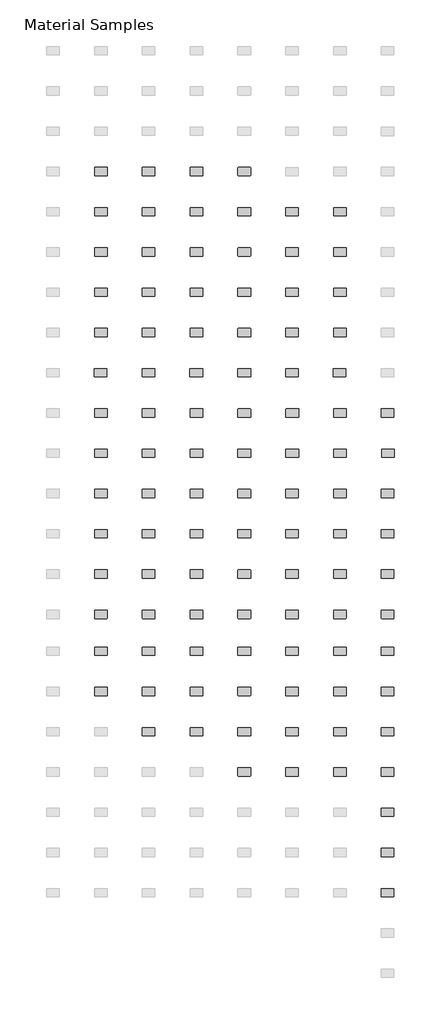
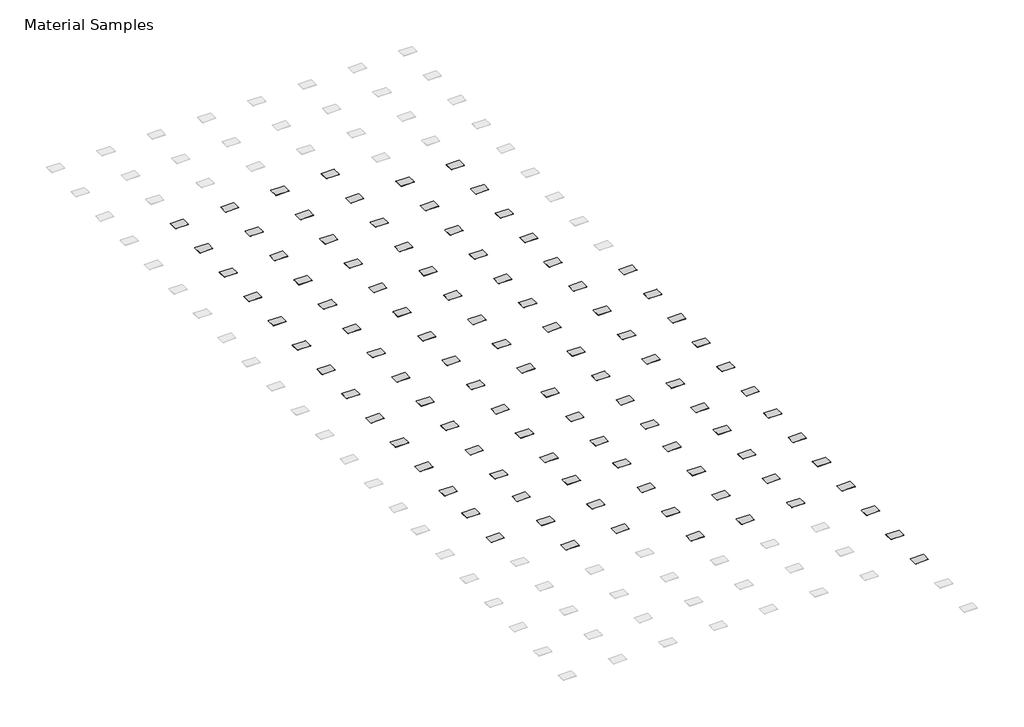
# One storey, part 11 of 12: 103 furniture elements.
"""IFC4 building model written with IfcOpenShell, lengths in millimetres."""

import ifcopenshell
import ifcopenshell.guid

model = None  # the IFC model being written
_history = None  # IfcOwnerHistory: only IFC2X3 demands one
_inside = {}  # id of a spatial element -> (the spatial element, [elements in it])
_under = {}  # id of a project, library or spatial element -> (it, [spatial elements below it])
_declared = {}  # id of a project -> (the project, [libraries it declares])
_typed = {}  # id of a type object -> (the type object, [elements of that type])
_made_of = {}  # id of a material, layer set ... -> (it, [elements and type objects made of it])


def new_model(schema):
    """Start an empty IFC model of exactly this schema.

    Asked for "IFC4X3", IfcOpenShell would pick the latest addendum, in which some entities
    have other attributes; the version numbers below select the first issue.
    IFC2X3 requires an IfcOwnerHistory on every rooted entity: one is made here for all.
    """
    global model, _history
    if schema == "IFC4X3":
        model = ifcopenshell.file(schema_version=(4, 3, 0, 0))
    else:
        model = ifcopenshell.file(schema=schema)
    _inside.clear()
    _under.clear()
    _declared.clear()
    _typed.clear()
    _made_of.clear()
    _history = None
    if model.schema == "IFC2X3":
        org = make("IfcOrganization", Name="unknown")
        user = make(
            "IfcPersonAndOrganization",
            ThePerson=make("IfcPerson", FamilyName="unknown"),
            TheOrganization=org,
        )
        app = make(
            "IfcApplication",
            ApplicationDeveloper=org,
            Version="unknown",
            ApplicationFullName="unknown",
            ApplicationIdentifier="unknown",
        )
        _history = make(
            "IfcOwnerHistory",
            OwningUser=user,
            OwningApplication=app,
            ChangeAction="ADDED",
            CreationDate=0,
        )
    return model


def make(cls, **values):
    """One entity of the class cls with the attributes given. An attribute that is None is left unset."""
    return model.create_entity(
        cls, **{name: value for name, value in values.items() if value is not None}
    )


def rooted(cls, **values):
    """An entity with a GlobalId (a new one), such as an element, a storey or a relation."""
    return make(cls, GlobalId=ifcopenshell.guid.new(), OwnerHistory=_history, **values)


def si_unit(unit_type, name, prefix=None):
    """IfcSIUnit, for example si_unit("LENGTHUNIT", "METRE", prefix="MILLI")."""
    return make("IfcSIUnit", UnitType=unit_type, Prefix=prefix, Name=name)


def assignment(units):
    """IfcUnitAssignment: the units of a project."""
    return None if units is None else make("IfcUnitAssignment", Units=units)


def point(xyz):
    """IfcCartesianPoint."""
    return None if xyz is None else make("IfcCartesianPoint", Coordinates=xyz)


def direction(xyz):
    """IfcDirection."""
    return None if xyz is None else make("IfcDirection", DirectionRatios=xyz)


def frame(location, z_axis=None, x_axis=None):
    """IfcAxis2Placement3D, a coordinate frame: its origin and axes. An axis left out is left unset."""
    return make(
        "IfcAxis2Placement3D",
        Location=point(location),
        Axis=direction(z_axis),
        RefDirection=direction(x_axis),
    )


def frame_2d(location, x_axis=None):
    """IfcAxis2Placement2D, a coordinate frame in the plane: its origin and x axis."""
    return make(
        "IfcAxis2Placement2D", Location=point(location), RefDirection=direction(x_axis)
    )


def origin():
    """The frame at (0, 0, 0) with its axes left unset."""
    return frame((0.0, 0.0, 0.0))


def place(relative_to, where):
    """IfcLocalPlacement: puts the frame where relative to a parent placement (None: the world)."""
    return make(
        "IfcLocalPlacement", PlacementRelTo=relative_to, RelativePlacement=where
    )


def context(
    kind, dimensions, precision=None, world=None, true_north=None, identifier=None
):
    """IfcGeometricRepresentationContext, for example the 3D "Model" context."""
    return make(
        "IfcGeometricRepresentationContext",
        ContextIdentifier=identifier,
        ContextType=kind,
        CoordinateSpaceDimension=dimensions,
        Precision=precision,
        WorldCoordinateSystem=world,
        TrueNorth=true_north,
    )


def project(units=None, contexts=None):
    """IfcProject with its units and contexts."""
    return rooted(
        "IfcProject",
        Name="project",
        RepresentationContexts=contexts,
        UnitsInContext=assignment(units),
    )


def spatial(cls, under=None, at=None, **own):
    """A site, building, storey or space (cls), placed at a placement, below another one or the project."""
    s = rooted(cls, ObjectPlacement=at, **own)
    if under is not None:
        _under.setdefault(under.id(), (under, []))[1].append(s)
    return s


def polyline(points):
    """IfcPolyline through the points."""
    return make("IfcPolyline", Points=[point(p) for p in points])


def circle_curve(where, radius):
    """IfcCircle in the frame where."""
    return make("IfcCircle", Position=where, Radius=radius)


def trimmed(basis, trim1, trim2, sense, master):
    """IfcTrimmedCurve: the piece of a basis curve between two trims."""
    return make(
        "IfcTrimmedCurve",
        BasisCurve=basis,
        Trim1=trim1,
        Trim2=trim2,
        SenseAgreement=sense,
        MasterRepresentation=master,
    )


def segment(curve, same_sense, transition):
    """IfcCompositeCurveSegment."""
    return make(
        "IfcCompositeCurveSegment",
        Transition=transition,
        SameSense=same_sense,
        ParentCurve=curve,
    )


def composite_curve(segments, self_intersect=None):
    """IfcCompositeCurve: segments joined end to end."""
    return make("IfcCompositeCurve", Segments=segments, SelfIntersect=self_intersect)


def outline(outer, holes=None, kind="AREA"):
    """IfcArbitraryClosedProfileDef: a profile drawn as a closed curve; with holes, ...WithVoids."""
    if holes is None:
        return make("IfcArbitraryClosedProfileDef", ProfileType=kind, OuterCurve=outer)
    return make(
        "IfcArbitraryProfileDefWithVoids",
        ProfileType=kind,
        OuterCurve=outer,
        InnerCurves=holes,
    )


def extrude(swept, where, along, depth):
    """IfcExtrudedAreaSolid: the profile swept, set in the frame where, extruded along a direction by depth."""
    return make(
        "IfcExtrudedAreaSolid",
        SweptArea=swept,
        Position=where,
        ExtrudedDirection=direction(along),
        Depth=depth,
    )


def shape(context_of_items, identifier, shape_type, items):
    """IfcShapeRepresentation: the items that make up one representation, for example the "Body"."""
    return make(
        "IfcShapeRepresentation",
        ContextOfItems=context_of_items,
        RepresentationIdentifier=identifier,
        RepresentationType=shape_type,
        Items=items,
    )


def source(mapping_origin, context_of_items, identifier, shape_type, items):
    """IfcRepresentationMap: a shape defined once, which mapped items show again and again."""
    return make(
        "IfcRepresentationMap",
        MappingOrigin=mapping_origin,
        MappedRepresentation=shape(context_of_items, identifier, shape_type, items),
    )


def transform(
    local_origin,
    x_axis=None,
    y_axis=None,
    z_axis=None,
    scale=None,
    scale2=None,
    scale3=None,
    uniform=True,
):
    """IfcCartesianTransformationOperator3D, or its non-uniform kind. x_axis, y_axis, z_axis: its Axis1, 2, 3."""
    if uniform:
        return make(
            "IfcCartesianTransformationOperator3D",
            Axis1=direction(x_axis),
            Axis2=direction(y_axis),
            LocalOrigin=point(local_origin),
            Scale=scale,
            Axis3=direction(z_axis),
        )
    return make(
        "IfcCartesianTransformationOperator3DnonUniform",
        Axis1=direction(x_axis),
        Axis2=direction(y_axis),
        LocalOrigin=point(local_origin),
        Scale=scale,
        Axis3=direction(z_axis),
        Scale2=scale2,
        Scale3=scale3,
    )


def mapped(mapping_source, mapping_target):
    """IfcMappedItem: shows the shape of a source again, moved by a transform."""
    return make(
        "IfcMappedItem", MappingSource=mapping_source, MappingTarget=mapping_target
    )


def made_of(thing, what):
    """Note that an element or type object is made of a material, layer set ...; save() writes the relation."""
    if what is not None:
        _made_of.setdefault(what.id(), (what, []))[1].append(thing)
    return thing


def element(
    cls,
    number,
    at=None,
    inside=None,
    cuts=None,
    type_object=None,
    material=None,
    context=None,
    identifier="Body",
    shape_type=None,
    held_by="IfcProductDefinitionShape",
    body=None,
    shapes=None,
    **own,
):
    """One element of the class cls, such as IfcWall. Its Tag is "e" and its number.

    at: its placement. inside: the storey or other place that contains it. cuts: it is an
    opening in that element (IfcRelVoidsElement). A single representation is given by context,
    identifier, shape_type and body (its items); several are given by shapes. held_by: the class
    of the entity that holds the representations. save() writes the other relations.
    """
    e = rooted(cls, Tag="e%d" % number, ObjectPlacement=at, **own)
    if body is not None:
        shapes = [shape(context, identifier, shape_type, body)]
    if shapes is not None:
        e.Representation = make(held_by, Representations=shapes)
    if inside is not None:
        _inside.setdefault(inside.id(), (inside, []))[1].append(e)
    if cuts is not None:
        rooted(
            "IfcRelVoidsElement", RelatingBuildingElement=cuts, RelatedOpeningElement=e
        )
    if type_object is not None:
        _typed.setdefault(type_object.id(), (type_object, []))[1].append(e)
    return made_of(e, material)


def aggregate(whole, parts):
    """IfcRelAggregates: a whole, such as a stair, and the parts it consists of."""
    return rooted("IfcRelAggregates", RelatingObject=whole, RelatedObjects=parts)


def save(model, path):
    """Write the relations noted so far, then the file.

    IfcRelAggregates (storeys below a building ...), IfcRelContainedInSpatialStructure (elements
    in a storey), IfcRelDefinesByType, IfcRelAssociatesMaterial and IfcRelDeclares: one each for
    every whole, place, type object, material and project.
    """
    for whole, parts in _under.values():
        aggregate(whole, parts)
    for where, things in _inside.values():
        rooted(
            "IfcRelContainedInSpatialStructure",
            RelatedElements=things,
            RelatingStructure=where,
        )
    for kind, things in _typed.values():
        rooted("IfcRelDefinesByType", RelatedObjects=things, RelatingType=kind)
    for what, things in _made_of.values():
        rooted("IfcRelAssociatesMaterial", RelatedObjects=things, RelatingMaterial=what)
    for by, libraries in _declared.values():
        rooted("IfcRelDeclares", RelatingContext=by, RelatedDefinitions=libraries)
    model.write(path)


def furniture_2008_material_sample3_2x3x1_8_96bf408c(model_context):
    return source(origin(), model_context, "Body", "SweptSolid", [
        extrude(outline(composite_curve([segment(trimmed(circle_curve(frame_2d((21215.2392185, 10811.8982463)), 6.35), [point((21215.2392185, 10818.2482463))], [point((21221.5892185, 10811.8982463))], False, "CARTESIAN"), True, "CONTINUOUS"), segment(polyline([(21221.5892185, 10811.8982463), (21221.5892185, 10570.5982463)]), True, "CONTINUOUS"), segment(trimmed(circle_curve(frame_2d((21215.2392185, 10570.5982463)), 6.35), [point((21221.5892185, 10570.5982463))], [point((21215.2392185, 10564.2482463))], False, "CARTESIAN"), True, "CONTINUOUS"), segment(polyline([(21215.2392185, 10564.2482463), (20846.9392185, 10564.2482463)]), True, "CONTINUOUS"), segment(trimmed(circle_curve(frame_2d((20846.9392185, 10570.5982463)), 6.35), [point((20846.9392185, 10564.2482463))], [point((20840.5892185, 10570.5982463))], False, "CARTESIAN"), True, "CONTINUOUS"), segment(polyline([(20840.5892185, 10570.5982463), (20840.5892185, 10811.8982463)]), True, "CONTINUOUS"), segment(trimmed(circle_curve(frame_2d((20846.9392185, 10811.8982463)), 6.35), [point((20840.5892185, 10811.8982463))], [point((20846.9392185, 10818.2482463))], False, "CARTESIAN"), True, "CONTINUOUS"), segment(polyline([(20846.9392185, 10818.2482463), (21215.2392185, 10818.2482463)]), True, "CONTINUOUS")], self_intersect=False)), frame((0.0, 0.0, -3.175), z_axis=(0.0, 0.0, 1.0), x_axis=(1.0, 0.0, 0.0)), (0.0, 0.0, 1.0), 3.175),
    ])


model = new_model("IFC4")

# Units and contexts
model_context = context("Model", 3, world=origin())
ifc_project = project(units=[si_unit("LENGTHUNIT", "METRE", prefix="MILLI")], contexts=[model_context])

# Site, building, storey
site = spatial("IfcSite", under=ifc_project)
building = spatial("IfcBuilding", under=site)
storey = spatial("IfcBuildingStorey", under=building, Name="Material Samples", Elevation=0.0)

# Furniture
placement = place(None, origin())
furniture_2008_material_sample3_2x3x1_8_shape = furniture_2008_material_sample3_2x3x1_8_96bf408c(model_context)
element("IfcFurniture", 1, ObjectType="2008_Material Sample3 : 2x3x1/8", at=placement, inside=storey, context=model_context, shape_type="MappedRepresentation", body=[
    mapped(furniture_2008_material_sample3_2x3x1_8_shape, transform((-31795.3250935, -168973.4275291, 25.4), x_axis=(1.0, 0.0, 0.0), y_axis=(0.0, 1.0, 0.0), z_axis=(0.0, 0.0, 1.0))),
])
element("IfcFurniture", 2, ObjectType="2008_Material Sample3 : 2x3x1/8", at=placement, inside=storey, context=model_context, shape_type="MappedRepresentation", body=[
    mapped(furniture_2008_material_sample3_2x3x1_8_shape, transform((-30347.5250935, -168973.4275291, 25.4), x_axis=(1.0, 0.0, 0.0), y_axis=(0.0, 1.0, 0.0), z_axis=(0.0, 0.0, 1.0))),
])
element("IfcFurniture", 3, ObjectType="2008_Material Sample3 : 2x3x1/8", at=placement, inside=storey, context=model_context, shape_type="MappedRepresentation", body=[
    mapped(furniture_2008_material_sample3_2x3x1_8_shape, transform((-28899.7250935, -168973.4275291, 25.4), x_axis=(1.0, 0.0, 0.0), y_axis=(0.0, 1.0, 0.0), z_axis=(0.0, 0.0, 1.0))),
])
element("IfcFurniture", 4, ObjectType="2008_Material Sample3 : 2x3x1/8", at=placement, inside=storey, context=model_context, shape_type="MappedRepresentation", body=[
    mapped(furniture_2008_material_sample3_2x3x1_8_shape, transform((-27451.9250935, -168973.4275291, 25.4), x_axis=(1.0, 0.0, 0.0), y_axis=(0.0, 1.0, 0.0), z_axis=(0.0, 0.0, 1.0))),
])
element("IfcFurniture", 5, ObjectType="2008_Material Sample3 : 2x3x1/8", at=placement, inside=storey, context=model_context, shape_type="MappedRepresentation", body=[
    mapped(furniture_2008_material_sample3_2x3x1_8_shape, transform((-31795.2143121, -170192.6275291, 25.4), x_axis=(1.0, 0.0, 0.0), y_axis=(0.0, 1.0, 0.0), z_axis=(0.0, 0.0, 1.0))),
])
element("IfcFurniture", 6, ObjectType="2008_Material Sample3 : 2x3x1/8", at=placement, inside=storey, context=model_context, shape_type="MappedRepresentation", body=[
    mapped(furniture_2008_material_sample3_2x3x1_8_shape, transform((-30347.4143121, -170192.6275291, 25.4), x_axis=(1.0, 0.0, 0.0), y_axis=(0.0, 1.0, 0.0), z_axis=(0.0, 0.0, 1.0))),
])
element("IfcFurniture", 7, ObjectType="2008_Material Sample3 : 2x3x1/8", at=placement, inside=storey, context=model_context, shape_type="MappedRepresentation", body=[
    mapped(furniture_2008_material_sample3_2x3x1_8_shape, transform((-28899.6143121, -170192.6275291, 25.4), x_axis=(1.0, 0.0, 0.0), y_axis=(0.0, 1.0, 0.0), z_axis=(0.0, 0.0, 1.0))),
])
element("IfcFurniture", 8, ObjectType="2008_Material Sample3 : 2x3x1/8", at=placement, inside=storey, context=model_context, shape_type="MappedRepresentation", body=[
    mapped(furniture_2008_material_sample3_2x3x1_8_shape, transform((-26004.0143121, -170192.6275291, 25.4), x_axis=(1.0, 0.0, 0.0), y_axis=(0.0, 1.0, 0.0), z_axis=(0.0, 0.0, 1.0))),
])
element("IfcFurniture", 9, ObjectType="2008_Material Sample3 : 2x3x1/8", at=placement, inside=storey, context=model_context, shape_type="MappedRepresentation", body=[
    mapped(furniture_2008_material_sample3_2x3x1_8_shape, transform((-24556.2143121, -170192.6275291, 25.4), x_axis=(1.0, 0.0, 0.0), y_axis=(0.0, 1.0, 0.0), z_axis=(0.0, 0.0, 1.0))),
])
element("IfcFurniture", 10, ObjectType="2008_Material Sample3 : 2x3x1/8", at=placement, inside=storey, context=model_context, shape_type="MappedRepresentation", body=[
    mapped(furniture_2008_material_sample3_2x3x1_8_shape, transform((-31795.2143121, -171411.8275291, 25.4), x_axis=(1.0, 0.0, 0.0), y_axis=(0.0, 1.0, 0.0), z_axis=(0.0, 0.0, 1.0))),
])
element("IfcFurniture", 11, ObjectType="2008_Material Sample3 : 2x3x1/8", at=placement, inside=storey, context=model_context, shape_type="MappedRepresentation", body=[
    mapped(furniture_2008_material_sample3_2x3x1_8_shape, transform((-30347.4143121, -171411.8275291, 25.4), x_axis=(1.0, 0.0, 0.0), y_axis=(0.0, 1.0, 0.0), z_axis=(0.0, 0.0, 1.0))),
])
element("IfcFurniture", 12, ObjectType="2008_Material Sample3 : 2x3x1/8", at=placement, inside=storey, context=model_context, shape_type="MappedRepresentation", body=[
    mapped(furniture_2008_material_sample3_2x3x1_8_shape, transform((-28899.6143121, -171411.8275291, 25.4), x_axis=(1.0, 0.0, 0.0), y_axis=(0.0, 1.0, 0.0), z_axis=(0.0, 0.0, 1.0))),
])
element("IfcFurniture", 13, ObjectType="2008_Material Sample3 : 2x3x1/8", at=placement, inside=storey, context=model_context, shape_type="MappedRepresentation", body=[
    mapped(furniture_2008_material_sample3_2x3x1_8_shape, transform((-27451.8143121, -171411.8275291, 25.4), x_axis=(1.0, 0.0, 0.0), y_axis=(0.0, 1.0, 0.0), z_axis=(0.0, 0.0, 1.0))),
])
element("IfcFurniture", 14, ObjectType="2008_Material Sample3 : 2x3x1/8", at=placement, inside=storey, context=model_context, shape_type="MappedRepresentation", body=[
    mapped(furniture_2008_material_sample3_2x3x1_8_shape, transform((-26004.0143121, -171411.8275291, 25.4), x_axis=(1.0, 0.0, 0.0), y_axis=(0.0, 1.0, 0.0), z_axis=(0.0, 0.0, 1.0))),
])
element("IfcFurniture", 15, ObjectType="2008_Material Sample3 : 2x3x1/8", at=placement, inside=storey, context=model_context, shape_type="MappedRepresentation", body=[
    mapped(furniture_2008_material_sample3_2x3x1_8_shape, transform((-24556.2143121, -171411.8275291, 25.4), x_axis=(1.0, 0.0, 0.0), y_axis=(0.0, 1.0, 0.0), z_axis=(0.0, 0.0, 1.0))),
])
element("IfcFurniture", 16, ObjectType="2008_Material Sample3 : 2x3x1/8", at=placement, inside=storey, context=model_context, shape_type="MappedRepresentation", body=[
    mapped(furniture_2008_material_sample3_2x3x1_8_shape, transform((-31795.2143121, -172631.0275291, 25.4), x_axis=(1.0, 0.0, 0.0), y_axis=(0.0, 1.0, 0.0), z_axis=(0.0, 0.0, 1.0))),
])
element("IfcFurniture", 17, ObjectType="2008_Material Sample3 : 2x3x1/8", at=placement, inside=storey, context=model_context, shape_type="MappedRepresentation", body=[
    mapped(furniture_2008_material_sample3_2x3x1_8_shape, transform((-30347.4143121, -172631.0275291, 25.4), x_axis=(1.0, 0.0, 0.0), y_axis=(0.0, 1.0, 0.0), z_axis=(0.0, 0.0, 1.0))),
])
element("IfcFurniture", 18, ObjectType="2008_Material Sample3 : 2x3x1/8", at=placement, inside=storey, context=model_context, shape_type="MappedRepresentation", body=[
    mapped(furniture_2008_material_sample3_2x3x1_8_shape, transform((-28899.6143121, -172631.0275291, 25.4), x_axis=(1.0, 0.0, 0.0), y_axis=(0.0, 1.0, 0.0), z_axis=(0.0, 0.0, 1.0))),
])
element("IfcFurniture", 19, ObjectType="2008_Material Sample3 : 2x3x1/8", at=placement, inside=storey, context=model_context, shape_type="MappedRepresentation", body=[
    mapped(furniture_2008_material_sample3_2x3x1_8_shape, transform((-26004.0143121, -172631.0275291, 25.4), x_axis=(1.0, 0.0, 0.0), y_axis=(0.0, 1.0, 0.0), z_axis=(0.0, 0.0, 1.0))),
])
element("IfcFurniture", 20, ObjectType="2008_Material Sample3 : 2x3x1/8", at=placement, inside=storey, context=model_context, shape_type="MappedRepresentation", body=[
    mapped(furniture_2008_material_sample3_2x3x1_8_shape, transform((-24556.2143121, -172631.0275291, 25.4), x_axis=(1.0, 0.0, 0.0), y_axis=(0.0, 1.0, 0.0), z_axis=(0.0, 0.0, 1.0))),
])
element("IfcFurniture", 21, ObjectType="2008_Material Sample3 : 2x3x1/8", at=placement, inside=storey, context=model_context, shape_type="MappedRepresentation", body=[
    mapped(furniture_2008_material_sample3_2x3x1_8_shape, transform((-31795.2143121, -173850.2275291, 25.4), x_axis=(1.0, 0.0, 0.0), y_axis=(0.0, 1.0, 0.0), z_axis=(0.0, 0.0, 1.0))),
])
element("IfcFurniture", 22, ObjectType="2008_Material Sample3 : 2x3x1/8", at=placement, inside=storey, context=model_context, shape_type="MappedRepresentation", body=[
    mapped(furniture_2008_material_sample3_2x3x1_8_shape, transform((-30347.4143121, -173850.2275291, 25.4), x_axis=(1.0, 0.0, 0.0), y_axis=(0.0, 1.0, 0.0), z_axis=(0.0, 0.0, 1.0))),
])
element("IfcFurniture", 23, ObjectType="2008_Material Sample3 : 2x3x1/8", at=placement, inside=storey, context=model_context, shape_type="MappedRepresentation", body=[
    mapped(furniture_2008_material_sample3_2x3x1_8_shape, transform((-28899.6143121, -173850.2275291, 25.4), x_axis=(1.0, 0.0, 0.0), y_axis=(0.0, 1.0, 0.0), z_axis=(0.0, 0.0, 1.0))),
])
element("IfcFurniture", 24, ObjectType="2008_Material Sample3 : 2x3x1/8", at=placement, inside=storey, context=model_context, shape_type="MappedRepresentation", body=[
    mapped(furniture_2008_material_sample3_2x3x1_8_shape, transform((-27451.8143121, -173850.2275291, 25.4), x_axis=(1.0, 0.0, 0.0), y_axis=(0.0, 1.0, 0.0), z_axis=(0.0, 0.0, 1.0))),
])
element("IfcFurniture", 25, ObjectType="2008_Material Sample3 : 2x3x1/8", at=placement, inside=storey, context=model_context, shape_type="MappedRepresentation", body=[
    mapped(furniture_2008_material_sample3_2x3x1_8_shape, transform((-26004.1250935, -173850.2275291, 25.4), x_axis=(1.0, 0.0, 0.0), y_axis=(0.0, 1.0, 0.0), z_axis=(0.0, 0.0, 1.0))),
])
element("IfcFurniture", 26, ObjectType="2008_Material Sample3 : 2x3x1/8", at=placement, inside=storey, context=model_context, shape_type="MappedRepresentation", body=[
    mapped(furniture_2008_material_sample3_2x3x1_8_shape, transform((-24556.2143121, -173850.2275291, 25.4), x_axis=(1.0, 0.0, 0.0), y_axis=(0.0, 1.0, 0.0), z_axis=(0.0, 0.0, 1.0))),
])
element("IfcFurniture", 27, ObjectType="2008_Material Sample3 : 2x3x1/8", at=placement, inside=storey, context=model_context, shape_type="MappedRepresentation", body=[
    mapped(furniture_2008_material_sample3_2x3x1_8_shape, transform((-31801.5643121, -175069.4275291, 25.4), x_axis=(1.0, 0.0, 0.0), y_axis=(0.0, 1.0, 0.0), z_axis=(0.0, 0.0, 1.0))),
])
element("IfcFurniture", 28, ObjectType="2008_Material Sample3 : 2x3x1/8", at=placement, inside=storey, context=model_context, shape_type="MappedRepresentation", body=[
    mapped(furniture_2008_material_sample3_2x3x1_8_shape, transform((-30353.7643121, -175069.4275291, 25.4), x_axis=(1.0, 0.0, 0.0), y_axis=(0.0, 1.0, 0.0), z_axis=(0.0, 0.0, 1.0))),
])
element("IfcFurniture", 29, ObjectType="2008_Material Sample3 : 2x3x1/8", at=placement, inside=storey, context=model_context, shape_type="MappedRepresentation", body=[
    mapped(furniture_2008_material_sample3_2x3x1_8_shape, transform((-28905.9643121, -175069.4275291, 25.4), x_axis=(1.0, 0.0, 0.0), y_axis=(0.0, 1.0, 0.0), z_axis=(0.0, 0.0, 1.0))),
])
element("IfcFurniture", 30, ObjectType="2008_Material Sample3 : 2x3x1/8", at=placement, inside=storey, context=model_context, shape_type="MappedRepresentation", body=[
    mapped(furniture_2008_material_sample3_2x3x1_8_shape, transform((-26010.4750935, -175069.4275291, 25.4), x_axis=(1.0, 0.0, 0.0), y_axis=(0.0, 1.0, 0.0), z_axis=(0.0, 0.0, 1.0))),
])
element("IfcFurniture", 31, ObjectType="2008_Material Sample3 : 2x3x1/8", at=placement, inside=storey, context=model_context, shape_type="MappedRepresentation", body=[
    mapped(furniture_2008_material_sample3_2x3x1_8_shape, transform((-24562.6750935, -175069.4275291, 25.4), x_axis=(1.0, 0.0, 0.0), y_axis=(0.0, 1.0, 0.0), z_axis=(0.0, 0.0, 1.0))),
])
element("IfcFurniture", 32, ObjectType="2008_Material Sample3 : 2x3x1/8", at=placement, inside=storey, context=model_context, shape_type="MappedRepresentation", body=[
    mapped(furniture_2008_material_sample3_2x3x1_8_shape, transform((-31795.2143121, -176288.6275291, 25.4), x_axis=(1.0, 0.0, 0.0), y_axis=(0.0, 1.0, 0.0), z_axis=(0.0, 0.0, 1.0))),
])
element("IfcFurniture", 33, ObjectType="2008_Material Sample3 : 2x3x1/8", at=placement, inside=storey, context=model_context, shape_type="MappedRepresentation", body=[
    mapped(furniture_2008_material_sample3_2x3x1_8_shape, transform((-30347.4143121, -176288.6275291, 25.4), x_axis=(1.0, 0.0, 0.0), y_axis=(0.0, 1.0, 0.0), z_axis=(0.0, 0.0, 1.0))),
])
element("IfcFurniture", 34, ObjectType="2008_Material Sample3 : 2x3x1/8", at=placement, inside=storey, context=model_context, shape_type="MappedRepresentation", body=[
    mapped(furniture_2008_material_sample3_2x3x1_8_shape, transform((-28899.6143121, -176288.6275291, 25.4), x_axis=(1.0, 0.0, 0.0), y_axis=(0.0, 1.0, 0.0), z_axis=(0.0, 0.0, 1.0))),
])
element("IfcFurniture", 35, ObjectType="2008_Material Sample3 : 2x3x1/8", at=placement, inside=storey, context=model_context, shape_type="MappedRepresentation", body=[
    mapped(furniture_2008_material_sample3_2x3x1_8_shape, transform((-27451.8143121, -176288.6275291, 25.4), x_axis=(1.0, 0.0, 0.0), y_axis=(0.0, 1.0, 0.0), z_axis=(0.0, 0.0, 1.0))),
])
element("IfcFurniture", 36, ObjectType="2008_Material Sample3 : 2x3x1/8", at=placement, inside=storey, context=model_context, shape_type="MappedRepresentation", body=[
    mapped(furniture_2008_material_sample3_2x3x1_8_shape, transform((-25997.5535306, -176288.6275291, 25.4), x_axis=(1.0, 0.0, 0.0), y_axis=(0.0, 1.0, 0.0), z_axis=(0.0, 0.0, 1.0))),
])
element("IfcFurniture", 37, ObjectType="2008_Material Sample3 : 2x3x1/8", at=placement, inside=storey, context=model_context, shape_type="MappedRepresentation", body=[
    mapped(furniture_2008_material_sample3_2x3x1_8_shape, transform((-24556.2143121, -176288.6275291, 25.4), x_axis=(1.0, 0.0, 0.0), y_axis=(0.0, 1.0, 0.0), z_axis=(0.0, 0.0, 1.0))),
])
element("IfcFurniture", 38, ObjectType="2008_Material Sample3 : 2x3x1/8", at=placement, inside=storey, context=model_context, shape_type="MappedRepresentation", body=[
    mapped(furniture_2008_material_sample3_2x3x1_8_shape, transform((-23108.4143121, -176288.6275291, 25.4), x_axis=(1.0, 0.0, 0.0), y_axis=(0.0, 1.0, 0.0), z_axis=(0.0, 0.0, 1.0))),
])
element("IfcFurniture", 39, ObjectType="2008_Material Sample3 : 2x3x1/8", at=placement, inside=storey, context=model_context, shape_type="MappedRepresentation", body=[
    mapped(furniture_2008_material_sample3_2x3x1_8_shape, transform((-31795.2143121, -177507.8275291, 25.4), x_axis=(1.0, 0.0, 0.0), y_axis=(0.0, 1.0, 0.0), z_axis=(0.0, 0.0, 1.0))),
])
element("IfcFurniture", 40, ObjectType="2008_Material Sample3 : 2x3x1/8", at=placement, inside=storey, context=model_context, shape_type="MappedRepresentation", body=[
    mapped(furniture_2008_material_sample3_2x3x1_8_shape, transform((-30347.4143121, -177507.8275291, 25.4), x_axis=(1.0, 0.0, 0.0), y_axis=(0.0, 1.0, 0.0), z_axis=(0.0, 0.0, 1.0))),
])
element("IfcFurniture", 41, ObjectType="2008_Material Sample3 : 2x3x1/8", at=placement, inside=storey, context=model_context, shape_type="MappedRepresentation", body=[
    mapped(furniture_2008_material_sample3_2x3x1_8_shape, transform((-28899.6143121, -177507.8275291, 25.4), x_axis=(1.0, 0.0, 0.0), y_axis=(0.0, 1.0, 0.0), z_axis=(0.0, 0.0, 1.0))),
])
element("IfcFurniture", 42, ObjectType="2008_Material Sample3 : 2x3x1/8", at=placement, inside=storey, context=model_context, shape_type="MappedRepresentation", body=[
    mapped(furniture_2008_material_sample3_2x3x1_8_shape, transform((-25997.5535306, -177507.8275291, 25.4), x_axis=(1.0, 0.0, 0.0), y_axis=(0.0, 1.0, 0.0), z_axis=(0.0, 0.0, 1.0))),
])
element("IfcFurniture", 43, ObjectType="2008_Material Sample3 : 2x3x1/8", at=placement, inside=storey, context=model_context, shape_type="MappedRepresentation", body=[
    mapped(furniture_2008_material_sample3_2x3x1_8_shape, transform((-24549.7535306, -177507.8275291, 25.4), x_axis=(1.0, 0.0, 0.0), y_axis=(0.0, 1.0, 0.0), z_axis=(0.0, 0.0, 1.0))),
])
element("IfcFurniture", 44, ObjectType="2008_Material Sample3 : 2x3x1/8", at=placement, inside=storey, context=model_context, shape_type="MappedRepresentation", body=[
    mapped(furniture_2008_material_sample3_2x3x1_8_shape, transform((-23101.9535306, -177507.8275291, 25.4), x_axis=(1.0, 0.0, 0.0), y_axis=(0.0, 1.0, 0.0), z_axis=(0.0, 0.0, 1.0))),
])
element("IfcFurniture", 45, ObjectType="2008_Material Sample3 : 2x3x1/8", at=placement, inside=storey, context=model_context, shape_type="MappedRepresentation", body=[
    mapped(furniture_2008_material_sample3_2x3x1_8_shape, transform((-31795.2143121, -178727.0275291, 25.4), x_axis=(1.0, 0.0, 0.0), y_axis=(0.0, 1.0, 0.0), z_axis=(0.0, 0.0, 1.0))),
])
element("IfcFurniture", 46, ObjectType="2008_Material Sample3 : 2x3x1/8", at=placement, inside=storey, context=model_context, shape_type="MappedRepresentation", body=[
    mapped(furniture_2008_material_sample3_2x3x1_8_shape, transform((-30347.4143121, -178727.0275291, 25.4), x_axis=(1.0, 0.0, 0.0), y_axis=(0.0, 1.0, 0.0), z_axis=(0.0, 0.0, 1.0))),
])
element("IfcFurniture", 47, ObjectType="2008_Material Sample3 : 2x3x1/8", at=placement, inside=storey, context=model_context, shape_type="MappedRepresentation", body=[
    mapped(furniture_2008_material_sample3_2x3x1_8_shape, transform((-28899.6143121, -178727.0275291, 25.4), x_axis=(1.0, 0.0, 0.0), y_axis=(0.0, 1.0, 0.0), z_axis=(0.0, 0.0, 1.0))),
])
element("IfcFurniture", 48, ObjectType="2008_Material Sample3 : 2x3x1/8", at=placement, inside=storey, context=model_context, shape_type="MappedRepresentation", body=[
    mapped(furniture_2008_material_sample3_2x3x1_8_shape, transform((-27451.8143121, -178727.0275291, 25.4), x_axis=(1.0, 0.0, 0.0), y_axis=(0.0, 1.0, 0.0), z_axis=(0.0, 0.0, 1.0))),
])
element("IfcFurniture", 49, ObjectType="2008_Material Sample3 : 2x3x1/8", at=placement, inside=storey, context=model_context, shape_type="MappedRepresentation", body=[
    mapped(furniture_2008_material_sample3_2x3x1_8_shape, transform((-26004.0143121, -178727.0275291, 25.4), x_axis=(1.0, 0.0, 0.0), y_axis=(0.0, 1.0, 0.0), z_axis=(0.0, 0.0, 1.0))),
])
element("IfcFurniture", 50, ObjectType="2008_Material Sample3 : 2x3x1/8", at=placement, inside=storey, context=model_context, shape_type="MappedRepresentation", body=[
    mapped(furniture_2008_material_sample3_2x3x1_8_shape, transform((-24556.2143121, -178727.0275291, 25.4), x_axis=(1.0, 0.0, 0.0), y_axis=(0.0, 1.0, 0.0), z_axis=(0.0, 0.0, 1.0))),
])
element("IfcFurniture", 51, ObjectType="2008_Material Sample3 : 2x3x1/8", at=placement, inside=storey, context=model_context, shape_type="MappedRepresentation", body=[
    mapped(furniture_2008_material_sample3_2x3x1_8_shape, transform((-23108.4143121, -178727.0275291, 25.4), x_axis=(1.0, 0.0, 0.0), y_axis=(0.0, 1.0, 0.0), z_axis=(0.0, 0.0, 1.0))),
])
element("IfcFurniture", 52, ObjectType="2008_Material Sample3 : 2x3x1/8", at=placement, inside=storey, context=model_context, shape_type="MappedRepresentation", body=[
    mapped(furniture_2008_material_sample3_2x3x1_8_shape, transform((-31795.2143121, -179946.2275291, 25.4), x_axis=(1.0, 0.0, 0.0), y_axis=(0.0, 1.0, 0.0), z_axis=(0.0, 0.0, 1.0))),
])
element("IfcFurniture", 53, ObjectType="2008_Material Sample3 : 2x3x1/8", at=placement, inside=storey, context=model_context, shape_type="MappedRepresentation", body=[
    mapped(furniture_2008_material_sample3_2x3x1_8_shape, transform((-30347.4143121, -179946.2275291, 25.4), x_axis=(1.0, 0.0, 0.0), y_axis=(0.0, 1.0, 0.0), z_axis=(0.0, 0.0, 1.0))),
])
element("IfcFurniture", 54, ObjectType="2008_Material Sample3 : 2x3x1/8", at=placement, inside=storey, context=model_context, shape_type="MappedRepresentation", body=[
    mapped(furniture_2008_material_sample3_2x3x1_8_shape, transform((-28899.6143121, -179946.2275291, 25.4), x_axis=(1.0, 0.0, 0.0), y_axis=(0.0, 1.0, 0.0), z_axis=(0.0, 0.0, 1.0))),
])
element("IfcFurniture", 55, ObjectType="2008_Material Sample3 : 2x3x1/8", at=placement, inside=storey, context=model_context, shape_type="MappedRepresentation", body=[
    mapped(furniture_2008_material_sample3_2x3x1_8_shape, transform((-26004.0143121, -179946.2275291, 25.4), x_axis=(1.0, 0.0, 0.0), y_axis=(0.0, 1.0, 0.0), z_axis=(0.0, 0.0, 1.0))),
])
element("IfcFurniture", 56, ObjectType="2008_Material Sample3 : 2x3x1/8", at=placement, inside=storey, context=model_context, shape_type="MappedRepresentation", body=[
    mapped(furniture_2008_material_sample3_2x3x1_8_shape, transform((-24556.2143121, -179946.2275291, 25.4), x_axis=(1.0, 0.0, 0.0), y_axis=(0.0, 1.0, 0.0), z_axis=(0.0, 0.0, 1.0))),
])
element("IfcFurniture", 57, ObjectType="2008_Material Sample3 : 2x3x1/8", at=placement, inside=storey, context=model_context, shape_type="MappedRepresentation", body=[
    mapped(furniture_2008_material_sample3_2x3x1_8_shape, transform((-23108.4143121, -179946.2275291, 25.4), x_axis=(1.0, 0.0, 0.0), y_axis=(0.0, 1.0, 0.0), z_axis=(0.0, 0.0, 1.0))),
])
element("IfcFurniture", 58, ObjectType="2008_Material Sample3 : 2x3x1/8", at=placement, inside=storey, context=model_context, shape_type="MappedRepresentation", body=[
    mapped(furniture_2008_material_sample3_2x3x1_8_shape, transform((-31795.2143121, -181165.4275291, 25.4), x_axis=(1.0, 0.0, 0.0), y_axis=(0.0, 1.0, 0.0), z_axis=(0.0, 0.0, 1.0))),
])
element("IfcFurniture", 59, ObjectType="2008_Material Sample3 : 2x3x1/8", at=placement, inside=storey, context=model_context, shape_type="MappedRepresentation", body=[
    mapped(furniture_2008_material_sample3_2x3x1_8_shape, transform((-30347.4143121, -181165.4275291, 25.4), x_axis=(1.0, 0.0, 0.0), y_axis=(0.0, 1.0, 0.0), z_axis=(0.0, 0.0, 1.0))),
])
element("IfcFurniture", 60, ObjectType="2008_Material Sample3 : 2x3x1/8", at=placement, inside=storey, context=model_context, shape_type="MappedRepresentation", body=[
    mapped(furniture_2008_material_sample3_2x3x1_8_shape, transform((-28899.6143121, -181165.4275291, 25.4), x_axis=(1.0, 0.0, 0.0), y_axis=(0.0, 1.0, 0.0), z_axis=(0.0, 0.0, 1.0))),
])
element("IfcFurniture", 61, ObjectType="2008_Material Sample3 : 2x3x1/8", at=placement, inside=storey, context=model_context, shape_type="MappedRepresentation", body=[
    mapped(furniture_2008_material_sample3_2x3x1_8_shape, transform((-27451.8143121, -181165.4275291, 25.4), x_axis=(1.0, 0.0, 0.0), y_axis=(0.0, 1.0, 0.0), z_axis=(0.0, 0.0, 1.0))),
])
element("IfcFurniture", 62, ObjectType="2008_Material Sample3 : 2x3x1/8", at=placement, inside=storey, context=model_context, shape_type="MappedRepresentation", body=[
    mapped(furniture_2008_material_sample3_2x3x1_8_shape, transform((-26004.0143121, -181165.4275291, 25.4), x_axis=(1.0, 0.0, 0.0), y_axis=(0.0, 1.0, 0.0), z_axis=(0.0, 0.0, 1.0))),
])
element("IfcFurniture", 63, ObjectType="2008_Material Sample3 : 2x3x1/8", at=placement, inside=storey, context=model_context, shape_type="MappedRepresentation", body=[
    mapped(furniture_2008_material_sample3_2x3x1_8_shape, transform((-24556.2143121, -181165.4275291, 25.4), x_axis=(1.0, 0.0, 0.0), y_axis=(0.0, 1.0, 0.0), z_axis=(0.0, 0.0, 1.0))),
])
element("IfcFurniture", 64, ObjectType="2008_Material Sample3 : 2x3x1/8", at=placement, inside=storey, context=model_context, shape_type="MappedRepresentation", body=[
    mapped(furniture_2008_material_sample3_2x3x1_8_shape, transform((-31795.1035306, -182384.6275291, 25.4), x_axis=(1.0, 0.0, 0.0), y_axis=(0.0, 1.0, 0.0), z_axis=(0.0, 0.0, 1.0))),
])
element("IfcFurniture", 65, ObjectType="2008_Material Sample3 : 2x3x1/8", at=placement, inside=storey, context=model_context, shape_type="MappedRepresentation", body=[
    mapped(furniture_2008_material_sample3_2x3x1_8_shape, transform((-30347.3035306, -182384.6275291, 25.4), x_axis=(1.0, 0.0, 0.0), y_axis=(0.0, 1.0, 0.0), z_axis=(0.0, 0.0, 1.0))),
])
element("IfcFurniture", 66, ObjectType="2008_Material Sample3 : 2x3x1/8", at=placement, inside=storey, context=model_context, shape_type="MappedRepresentation", body=[
    mapped(furniture_2008_material_sample3_2x3x1_8_shape, transform((-28899.5035306, -182384.6275291, 25.4), x_axis=(1.0, 0.0, 0.0), y_axis=(0.0, 1.0, 0.0), z_axis=(0.0, 0.0, 1.0))),
])
element("IfcFurniture", 67, ObjectType="2008_Material Sample3 : 2x3x1/8", at=placement, inside=storey, context=model_context, shape_type="MappedRepresentation", body=[
    mapped(furniture_2008_material_sample3_2x3x1_8_shape, transform((-27451.7035306, -182384.6275291, 25.4), x_axis=(1.0, 0.0, 0.0), y_axis=(0.0, 1.0, 0.0), z_axis=(0.0, 0.0, 1.0))),
])
element("IfcFurniture", 68, ObjectType="2008_Material Sample3 : 2x3x1/8", at=placement, inside=storey, context=model_context, shape_type="MappedRepresentation", body=[
    mapped(furniture_2008_material_sample3_2x3x1_8_shape, transform((-26003.9035306, -182384.6275291, 25.4), x_axis=(1.0, 0.0, 0.0), y_axis=(0.0, 1.0, 0.0), z_axis=(0.0, 0.0, 1.0))),
])
element("IfcFurniture", 69, ObjectType="2008_Material Sample3 : 2x3x1/8", at=placement, inside=storey, context=model_context, shape_type="MappedRepresentation", body=[
    mapped(furniture_2008_material_sample3_2x3x1_8_shape, transform((-24556.1035306, -182384.6275291, 25.4), x_axis=(1.0, 0.0, 0.0), y_axis=(0.0, 1.0, 0.0), z_axis=(0.0, 0.0, 1.0))),
])
element("IfcFurniture", 70, ObjectType="2008_Material Sample3 : 2x3x1/8", at=placement, inside=storey, context=model_context, shape_type="MappedRepresentation", body=[
    mapped(furniture_2008_material_sample3_2x3x1_8_shape, transform((-23108.3035306, -182384.6275291, 25.4), x_axis=(1.0, 0.0, 0.0), y_axis=(0.0, 1.0, 0.0), z_axis=(0.0, 0.0, 1.0))),
])
element("IfcFurniture", 71, ObjectType="2008_Material Sample3 : 2x3x1/8", at=placement, inside=storey, context=model_context, shape_type="MappedRepresentation", body=[
    mapped(furniture_2008_material_sample3_2x3x1_8_shape, transform((-23108.4143121, -181165.4275291, 25.4), x_axis=(1.0, 0.0, 0.0), y_axis=(0.0, 1.0, 0.0), z_axis=(0.0, 0.0, 1.0))),
])
element("IfcFurniture", 72, ObjectType="2008_Material Sample3 : 2x3x1/8", at=placement, inside=storey, context=model_context, shape_type="MappedRepresentation", body=[
    mapped(furniture_2008_material_sample3_2x3x1_8_shape, transform((-27451.8143121, -170192.6275291, 25.4), x_axis=(1.0, 0.0, 0.0), y_axis=(0.0, 1.0, 0.0), z_axis=(0.0, 0.0, 1.0))),
])
element("IfcFurniture", 73, ObjectType="2008_Material Sample3 : 2x3x1/8", at=placement, inside=storey, context=model_context, shape_type="MappedRepresentation", body=[
    mapped(furniture_2008_material_sample3_2x3x1_8_shape, transform((-27451.8143121, -172631.0275291, 25.4), x_axis=(1.0, 0.0, 0.0), y_axis=(0.0, 1.0, 0.0), z_axis=(0.0, 0.0, 1.0))),
])
element("IfcFurniture", 74, ObjectType="2008_Material Sample3 : 2x3x1/8", at=placement, inside=storey, context=model_context, shape_type="MappedRepresentation", body=[
    mapped(furniture_2008_material_sample3_2x3x1_8_shape, transform((-27451.8143121, -175069.4275291, 25.4), x_axis=(1.0, 0.0, 0.0), y_axis=(0.0, 1.0, 0.0), z_axis=(0.0, 0.0, 1.0))),
])
element("IfcFurniture", 75, ObjectType="2008_Material Sample3 : 2x3x1/8", at=placement, inside=storey, context=model_context, shape_type="MappedRepresentation", body=[
    mapped(furniture_2008_material_sample3_2x3x1_8_shape, transform((-27451.8143121, -177507.8275291, 25.4), x_axis=(1.0, 0.0, 0.0), y_axis=(0.0, 1.0, 0.0), z_axis=(0.0, 0.0, 1.0))),
])
element("IfcFurniture", 76, ObjectType="2008_Material Sample3 : 2x3x1/8", at=placement, inside=storey, context=model_context, shape_type="MappedRepresentation", body=[
    mapped(furniture_2008_material_sample3_2x3x1_8_shape, transform((-27451.8143121, -179946.2275291, 25.4), x_axis=(1.0, 0.0, 0.0), y_axis=(0.0, 1.0, 0.0), z_axis=(0.0, 0.0, 1.0))),
])
element("IfcFurniture", 77, ObjectType="2008_Material Sample4 : 2x3x1/8", at=placement, inside=storey, context=model_context, shape_type="MappedRepresentation", body=[
    mapped(furniture_2008_material_sample3_2x3x1_8_shape, transform((-31795.1035306, -183502.2275291, 25.4), x_axis=(1.0, 0.0, 0.0), y_axis=(0.0, 1.0, 0.0), z_axis=(0.0, 0.0, 1.0))),
])
element("IfcFurniture", 78, ObjectType="2008_Material Sample4 : 2x3x1/8", at=placement, inside=storey, context=model_context, shape_type="MappedRepresentation", body=[
    mapped(furniture_2008_material_sample3_2x3x1_8_shape, transform((-30347.3035306, -183502.2275291, 25.4), x_axis=(1.0, 0.0, 0.0), y_axis=(0.0, 1.0, 0.0), z_axis=(0.0, 0.0, 1.0))),
])
element("IfcFurniture", 79, ObjectType="2008_Material Sample4 : 2x3x1/8", at=placement, inside=storey, context=model_context, shape_type="MappedRepresentation", body=[
    mapped(furniture_2008_material_sample3_2x3x1_8_shape, transform((-28899.5035306, -183502.2275291, 25.4), x_axis=(1.0, 0.0, 0.0), y_axis=(0.0, 1.0, 0.0), z_axis=(0.0, 0.0, 1.0))),
])
element("IfcFurniture", 80, ObjectType="2008_Material Sample4 : 2x3x1/8", at=placement, inside=storey, context=model_context, shape_type="MappedRepresentation", body=[
    mapped(furniture_2008_material_sample3_2x3x1_8_shape, transform((-27451.7035306, -183502.2275291, 25.4), x_axis=(1.0, 0.0, 0.0), y_axis=(0.0, 1.0, 0.0), z_axis=(0.0, 0.0, 1.0))),
])
element("IfcFurniture", 81, ObjectType="2008_Material Sample4 : 2x3x1/8", at=placement, inside=storey, context=model_context, shape_type="MappedRepresentation", body=[
    mapped(furniture_2008_material_sample3_2x3x1_8_shape, transform((-26003.9035306, -183502.2275291, 25.4), x_axis=(1.0, 0.0, 0.0), y_axis=(0.0, 1.0, 0.0), z_axis=(0.0, 0.0, 1.0))),
])
element("IfcFurniture", 82, ObjectType="2008_Material Sample4 : 2x3x1/8", at=placement, inside=storey, context=model_context, shape_type="MappedRepresentation", body=[
    mapped(furniture_2008_material_sample3_2x3x1_8_shape, transform((-24556.1035306, -183502.2275291, 25.4), x_axis=(1.0, 0.0, 0.0), y_axis=(0.0, 1.0, 0.0), z_axis=(0.0, 0.0, 1.0))),
])
element("IfcFurniture", 83, ObjectType="2008_Material Sample4 : 2x3x1/8", at=placement, inside=storey, context=model_context, shape_type="MappedRepresentation", body=[
    mapped(furniture_2008_material_sample3_2x3x1_8_shape, transform((-23108.3035306, -183502.2275291, 25.4), x_axis=(1.0, 0.0, 0.0), y_axis=(0.0, 1.0, 0.0), z_axis=(0.0, 0.0, 1.0))),
])
element("IfcFurniture", 84, ObjectType="2008_Material Sample4 : 2x3x1/8", at=placement, inside=storey, context=model_context, shape_type="MappedRepresentation", body=[
    mapped(furniture_2008_material_sample3_2x3x1_8_shape, transform((-31795.1035306, -184721.4275291, 25.4), x_axis=(1.0, 0.0, 0.0), y_axis=(0.0, 1.0, 0.0), z_axis=(0.0, 0.0, 1.0))),
])
element("IfcFurniture", 85, ObjectType="2008_Material Sample4 : 2x3x1/8", at=placement, inside=storey, context=model_context, shape_type="MappedRepresentation", body=[
    mapped(furniture_2008_material_sample3_2x3x1_8_shape, transform((-30347.3035306, -184721.4275291, 25.4), x_axis=(1.0, 0.0, 0.0), y_axis=(0.0, 1.0, 0.0), z_axis=(0.0, 0.0, 1.0))),
])
element("IfcFurniture", 86, ObjectType="2008_Material Sample4 : 2x3x1/8", at=placement, inside=storey, context=model_context, shape_type="MappedRepresentation", body=[
    mapped(furniture_2008_material_sample3_2x3x1_8_shape, transform((-28899.5035306, -184721.4275291, 25.4), x_axis=(1.0, 0.0, 0.0), y_axis=(0.0, 1.0, 0.0), z_axis=(0.0, 0.0, 1.0))),
])
element("IfcFurniture", 87, ObjectType="2008_Material Sample4 : 2x3x1/8", at=placement, inside=storey, context=model_context, shape_type="MappedRepresentation", body=[
    mapped(furniture_2008_material_sample3_2x3x1_8_shape, transform((-27451.7035306, -184721.4275291, 25.4), x_axis=(1.0, 0.0, 0.0), y_axis=(0.0, 1.0, 0.0), z_axis=(0.0, 0.0, 1.0))),
])
element("IfcFurniture", 88, ObjectType="2008_Material Sample4 : 2x3x1/8", at=placement, inside=storey, context=model_context, shape_type="MappedRepresentation", body=[
    mapped(furniture_2008_material_sample3_2x3x1_8_shape, transform((-26003.9035306, -184721.4275291, 25.4), x_axis=(1.0, 0.0, 0.0), y_axis=(0.0, 1.0, 0.0), z_axis=(0.0, 0.0, 1.0))),
])
element("IfcFurniture", 89, ObjectType="2008_Material Sample4 : 2x3x1/8", at=placement, inside=storey, context=model_context, shape_type="MappedRepresentation", body=[
    mapped(furniture_2008_material_sample3_2x3x1_8_shape, transform((-24556.1035306, -184721.4275291, 25.4), x_axis=(1.0, 0.0, 0.0), y_axis=(0.0, 1.0, 0.0), z_axis=(0.0, 0.0, 1.0))),
])
element("IfcFurniture", 90, ObjectType="2008_Material Sample4 : 2x3x1/8", at=placement, inside=storey, context=model_context, shape_type="MappedRepresentation", body=[
    mapped(furniture_2008_material_sample3_2x3x1_8_shape, transform((-23108.3035306, -184721.4275291, 25.4), x_axis=(1.0, 0.0, 0.0), y_axis=(0.0, 1.0, 0.0), z_axis=(0.0, 0.0, 1.0))),
])
element("IfcFurniture", 91, ObjectType="2008_Material Sample4 : 2x3x1/8", at=placement, inside=storey, context=model_context, shape_type="MappedRepresentation", body=[
    mapped(furniture_2008_material_sample3_2x3x1_8_shape, transform((-30347.3035306, -185940.6275291, 25.4), x_axis=(1.0, 0.0, 0.0), y_axis=(0.0, 1.0, 0.0), z_axis=(0.0, 0.0, 1.0))),
])
element("IfcFurniture", 92, ObjectType="2008_Material Sample4 : 2x3x1/8", at=placement, inside=storey, context=model_context, shape_type="MappedRepresentation", body=[
    mapped(furniture_2008_material_sample3_2x3x1_8_shape, transform((-28899.5035306, -185940.6275291, 25.4), x_axis=(1.0, 0.0, 0.0), y_axis=(0.0, 1.0, 0.0), z_axis=(0.0, 0.0, 1.0))),
])
element("IfcFurniture", 93, ObjectType="2008_Material Sample4 : 2x3x1/8", at=placement, inside=storey, context=model_context, shape_type="MappedRepresentation", body=[
    mapped(furniture_2008_material_sample3_2x3x1_8_shape, transform((-27451.7035306, -185940.6275291, 25.4), x_axis=(1.0, 0.0, 0.0), y_axis=(0.0, 1.0, 0.0), z_axis=(0.0, 0.0, 1.0))),
])
element("IfcFurniture", 94, ObjectType="2008_Material Sample4 : 2x3x1/8", at=placement, inside=storey, context=model_context, shape_type="MappedRepresentation", body=[
    mapped(furniture_2008_material_sample3_2x3x1_8_shape, transform((-26003.9035306, -185940.6275291, 25.4), x_axis=(1.0, 0.0, 0.0), y_axis=(0.0, 1.0, 0.0), z_axis=(0.0, 0.0, 1.0))),
])
element("IfcFurniture", 95, ObjectType="2008_Material Sample4 : 2x3x1/8", at=placement, inside=storey, context=model_context, shape_type="MappedRepresentation", body=[
    mapped(furniture_2008_material_sample3_2x3x1_8_shape, transform((-24556.1035306, -185940.6275291, 25.4), x_axis=(1.0, 0.0, 0.0), y_axis=(0.0, 1.0, 0.0), z_axis=(0.0, 0.0, 1.0))),
])
element("IfcFurniture", 96, ObjectType="2008_Material Sample4 : 2x3x1/8", at=placement, inside=storey, context=model_context, shape_type="MappedRepresentation", body=[
    mapped(furniture_2008_material_sample3_2x3x1_8_shape, transform((-23108.3035306, -185940.6275291, 25.4), x_axis=(1.0, 0.0, 0.0), y_axis=(0.0, 1.0, 0.0), z_axis=(0.0, 0.0, 1.0))),
])
element("IfcFurniture", 97, ObjectType="2008_Material Sample4 : 2x3x1/8", at=placement, inside=storey, context=model_context, shape_type="MappedRepresentation", body=[
    mapped(furniture_2008_material_sample3_2x3x1_8_shape, transform((-27451.7035306, -187159.8275291, 25.4), x_axis=(1.0, 0.0, 0.0), y_axis=(0.0, 1.0, 0.0), z_axis=(0.0, 0.0, 1.0))),
])
element("IfcFurniture", 98, ObjectType="2008_Material Sample4 : 2x3x1/8", at=placement, inside=storey, context=model_context, shape_type="MappedRepresentation", body=[
    mapped(furniture_2008_material_sample3_2x3x1_8_shape, transform((-26003.9035306, -187159.8275291, 25.4), x_axis=(1.0, 0.0, 0.0), y_axis=(0.0, 1.0, 0.0), z_axis=(0.0, 0.0, 1.0))),
])
element("IfcFurniture", 99, ObjectType="2008_Material Sample4 : 2x3x1/8", at=placement, inside=storey, context=model_context, shape_type="MappedRepresentation", body=[
    mapped(furniture_2008_material_sample3_2x3x1_8_shape, transform((-24556.2143121, -187159.8275291, 25.4), x_axis=(1.0, 0.0, 0.0), y_axis=(0.0, 1.0, 0.0), z_axis=(0.0, 0.0, 1.0))),
])
element("IfcFurniture", 100, ObjectType="2008_Material Sample4 : 2x3x1/8", at=placement, inside=storey, context=model_context, shape_type="MappedRepresentation", body=[
    mapped(furniture_2008_material_sample3_2x3x1_8_shape, transform((-23108.4143121, -187159.8275291, 25.4), x_axis=(1.0, 0.0, 0.0), y_axis=(0.0, 1.0, 0.0), z_axis=(0.0, 0.0, 1.0))),
])
element("IfcFurniture", 101, ObjectType="2008_Material Sample4 : 2x3x1/8", at=placement, inside=storey, context=model_context, shape_type="MappedRepresentation", body=[
    mapped(furniture_2008_material_sample3_2x3x1_8_shape, transform((-23108.3035306, -188379.0275291, 25.4), x_axis=(1.0, 0.0, 0.0), y_axis=(0.0, 1.0, 0.0), z_axis=(0.0, 0.0, 1.0))),
])
element("IfcFurniture", 102, ObjectType="2008_Material Sample4 : 2x3x1/8", at=placement, inside=storey, context=model_context, shape_type="MappedRepresentation", body=[
    mapped(furniture_2008_material_sample3_2x3x1_8_shape, transform((-23108.3035306, -189598.2275291, 25.4), x_axis=(1.0, 0.0, 0.0), y_axis=(0.0, 1.0, 0.0), z_axis=(0.0, 0.0, 1.0))),
])
element("IfcFurniture", 103, ObjectType="2008_Material Sample4 : 2x3x1/8", at=placement, inside=storey, context=model_context, shape_type="MappedRepresentation", body=[
    mapped(furniture_2008_material_sample3_2x3x1_8_shape, transform((-23108.3035306, -190817.4275291, 25.4), x_axis=(1.0, 0.0, 0.0), y_axis=(0.0, 1.0, 0.0), z_axis=(0.0, 0.0, 1.0))),
])

save(model, "model.ifc")
